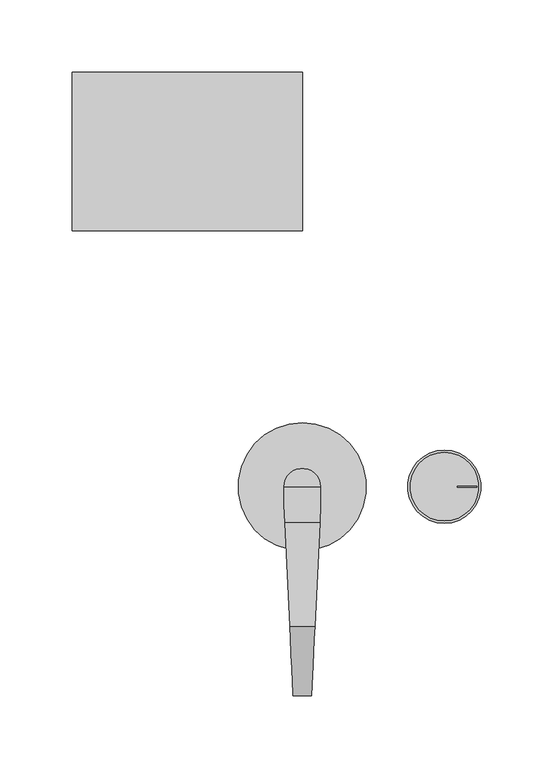
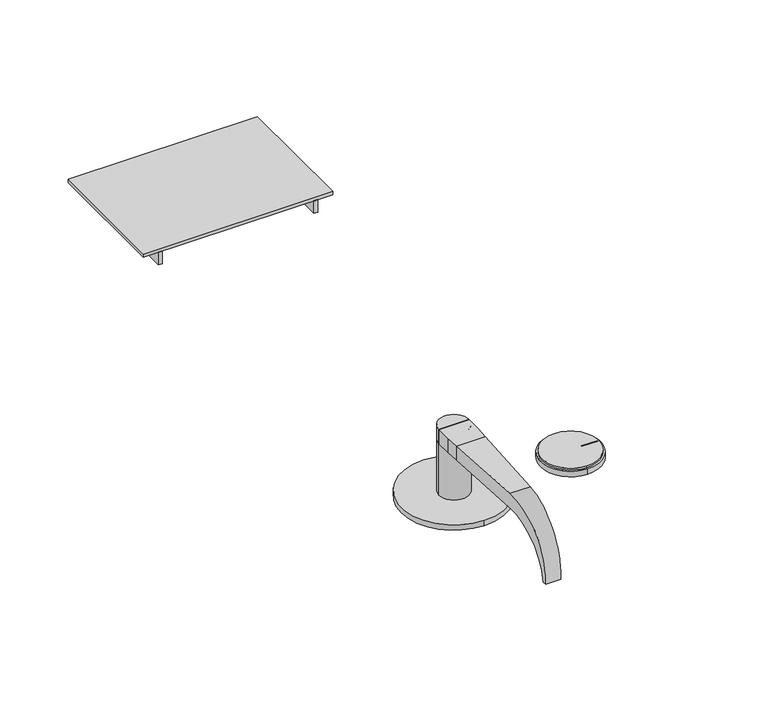
"""IFC4 building model written with IfcOpenShell, lengths in millimetres: proxy geometry."""

import ifcopenshell
import ifcopenshell.guid

model = None  # the IFC model being written
_history = None  # IfcOwnerHistory: only IFC2X3 demands one
_inside = {}  # id of a spatial element -> (the spatial element, [elements in it])
_under = {}  # id of a project, library or spatial element -> (it, [spatial elements below it])
_declared = {}  # id of a project -> (the project, [libraries it declares])
_typed = {}  # id of a type object -> (the type object, [elements of that type])
_made_of = {}  # id of a material, layer set ... -> (it, [elements and type objects made of it])


def new_model(schema):
    """Start an empty IFC model of exactly this schema.

    Asked for "IFC4X3", IfcOpenShell would pick the latest addendum, in which some entities
    have other attributes; the version numbers below select the first issue.
    IFC2X3 requires an IfcOwnerHistory on every rooted entity: one is made here for all.
    """
    global model, _history
    if schema == "IFC4X3":
        model = ifcopenshell.file(schema_version=(4, 3, 0, 0))
    else:
        model = ifcopenshell.file(schema=schema)
    _inside.clear()
    _under.clear()
    _declared.clear()
    _typed.clear()
    _made_of.clear()
    _history = None
    if model.schema == "IFC2X3":
        org = make("IfcOrganization", Name="unknown")
        user = make(
            "IfcPersonAndOrganization",
            ThePerson=make("IfcPerson", FamilyName="unknown"),
            TheOrganization=org,
        )
        app = make(
            "IfcApplication",
            ApplicationDeveloper=org,
            Version="unknown",
            ApplicationFullName="unknown",
            ApplicationIdentifier="unknown",
        )
        _history = make(
            "IfcOwnerHistory",
            OwningUser=user,
            OwningApplication=app,
            ChangeAction="ADDED",
            CreationDate=0,
        )
    return model


def make(cls, **values):
    """One entity of the class cls with the attributes given. An attribute that is None is left unset."""
    return model.create_entity(
        cls, **{name: value for name, value in values.items() if value is not None}
    )


def rooted(cls, **values):
    """An entity with a GlobalId (a new one), such as an element, a storey or a relation."""
    return make(cls, GlobalId=ifcopenshell.guid.new(), OwnerHistory=_history, **values)


def si_unit(unit_type, name, prefix=None):
    """IfcSIUnit, for example si_unit("LENGTHUNIT", "METRE", prefix="MILLI")."""
    return make("IfcSIUnit", UnitType=unit_type, Prefix=prefix, Name=name)


def assignment(units):
    """IfcUnitAssignment: the units of a project."""
    return None if units is None else make("IfcUnitAssignment", Units=units)


def point(xyz):
    """IfcCartesianPoint."""
    return None if xyz is None else make("IfcCartesianPoint", Coordinates=xyz)


def direction(xyz):
    """IfcDirection."""
    return None if xyz is None else make("IfcDirection", DirectionRatios=xyz)


def frame(location, z_axis=None, x_axis=None):
    """IfcAxis2Placement3D, a coordinate frame: its origin and axes. An axis left out is left unset."""
    return make(
        "IfcAxis2Placement3D",
        Location=point(location),
        Axis=direction(z_axis),
        RefDirection=direction(x_axis),
    )


def frame_2d(location, x_axis=None):
    """IfcAxis2Placement2D, a coordinate frame in the plane: its origin and x axis."""
    return make(
        "IfcAxis2Placement2D", Location=point(location), RefDirection=direction(x_axis)
    )


def origin():
    """The frame at (0, 0, 0) with its axes left unset."""
    return frame((0.0, 0.0, 0.0))


def place(relative_to, where):
    """IfcLocalPlacement: puts the frame where relative to a parent placement (None: the world)."""
    return make(
        "IfcLocalPlacement", PlacementRelTo=relative_to, RelativePlacement=where
    )


def context(
    kind, dimensions, precision=None, world=None, true_north=None, identifier=None
):
    """IfcGeometricRepresentationContext, for example the 3D "Model" context."""
    return make(
        "IfcGeometricRepresentationContext",
        ContextIdentifier=identifier,
        ContextType=kind,
        CoordinateSpaceDimension=dimensions,
        Precision=precision,
        WorldCoordinateSystem=world,
        TrueNorth=true_north,
    )


def project(units=None, contexts=None):
    """IfcProject with its units and contexts."""
    return rooted(
        "IfcProject",
        Name="project",
        RepresentationContexts=contexts,
        UnitsInContext=assignment(units),
    )


def spatial(cls, under=None, at=None, **own):
    """A site, building, storey or space (cls), placed at a placement, below another one or the project."""
    s = rooted(cls, ObjectPlacement=at, **own)
    if under is not None:
        _under.setdefault(under.id(), (under, []))[1].append(s)
    return s


def polyline(points):
    """IfcPolyline through the points."""
    return make("IfcPolyline", Points=[point(p) for p in points])


def circle_curve(where, radius):
    """IfcCircle in the frame where."""
    return make("IfcCircle", Position=where, Radius=radius)


def ellipse_curve(where, semi_axis1, semi_axis2):
    """IfcEllipse in the frame where."""
    return make(
        "IfcEllipse", Position=where, SemiAxis1=semi_axis1, SemiAxis2=semi_axis2
    )


def trimmed(basis, trim1, trim2, sense, master):
    """IfcTrimmedCurve: the piece of a basis curve between two trims."""
    return make(
        "IfcTrimmedCurve",
        BasisCurve=basis,
        Trim1=trim1,
        Trim2=trim2,
        SenseAgreement=sense,
        MasterRepresentation=master,
    )


def segment(curve, same_sense, transition):
    """IfcCompositeCurveSegment."""
    return make(
        "IfcCompositeCurveSegment",
        Transition=transition,
        SameSense=same_sense,
        ParentCurve=curve,
    )


def composite_curve(segments, self_intersect=None):
    """IfcCompositeCurve: segments joined end to end."""
    return make("IfcCompositeCurve", Segments=segments, SelfIntersect=self_intersect)


def outline(outer, holes=None, kind="AREA"):
    """IfcArbitraryClosedProfileDef: a profile drawn as a closed curve; with holes, ...WithVoids."""
    if holes is None:
        return make("IfcArbitraryClosedProfileDef", ProfileType=kind, OuterCurve=outer)
    return make(
        "IfcArbitraryProfileDefWithVoids",
        ProfileType=kind,
        OuterCurve=outer,
        InnerCurves=holes,
    )


def extrude(swept, where, along, depth):
    """IfcExtrudedAreaSolid: the profile swept, set in the frame where, extruded along a direction by depth."""
    return make(
        "IfcExtrudedAreaSolid",
        SweptArea=swept,
        Position=where,
        ExtrudedDirection=direction(along),
        Depth=depth,
    )


def shape(context_of_items, identifier, shape_type, items):
    """IfcShapeRepresentation: the items that make up one representation, for example the "Body"."""
    return make(
        "IfcShapeRepresentation",
        ContextOfItems=context_of_items,
        RepresentationIdentifier=identifier,
        RepresentationType=shape_type,
        Items=items,
    )


def source(mapping_origin, context_of_items, identifier, shape_type, items):
    """IfcRepresentationMap: a shape defined once, which mapped items show again and again."""
    return make(
        "IfcRepresentationMap",
        MappingOrigin=mapping_origin,
        MappedRepresentation=shape(context_of_items, identifier, shape_type, items),
    )


def transform(
    local_origin,
    x_axis=None,
    y_axis=None,
    z_axis=None,
    scale=None,
    scale2=None,
    scale3=None,
    uniform=True,
):
    """IfcCartesianTransformationOperator3D, or its non-uniform kind. x_axis, y_axis, z_axis: its Axis1, 2, 3."""
    if uniform:
        return make(
            "IfcCartesianTransformationOperator3D",
            Axis1=direction(x_axis),
            Axis2=direction(y_axis),
            LocalOrigin=point(local_origin),
            Scale=scale,
            Axis3=direction(z_axis),
        )
    return make(
        "IfcCartesianTransformationOperator3DnonUniform",
        Axis1=direction(x_axis),
        Axis2=direction(y_axis),
        LocalOrigin=point(local_origin),
        Scale=scale,
        Axis3=direction(z_axis),
        Scale2=scale2,
        Scale3=scale3,
    )


def mapped(mapping_source, mapping_target):
    """IfcMappedItem: shows the shape of a source again, moved by a transform."""
    return make(
        "IfcMappedItem", MappingSource=mapping_source, MappingTarget=mapping_target
    )


def made_of(thing, what):
    """Note that an element or type object is made of a material, layer set ...; save() writes the relation."""
    if what is not None:
        _made_of.setdefault(what.id(), (what, []))[1].append(thing)
    return thing


def element(
    cls,
    number,
    at=None,
    inside=None,
    cuts=None,
    type_object=None,
    material=None,
    context=None,
    identifier="Body",
    shape_type=None,
    held_by="IfcProductDefinitionShape",
    body=None,
    shapes=None,
    **own,
):
    """One element of the class cls, such as IfcWall. Its Tag is "e" and its number.

    at: its placement. inside: the storey or other place that contains it. cuts: it is an
    opening in that element (IfcRelVoidsElement). A single representation is given by context,
    identifier, shape_type and body (its items); several are given by shapes. held_by: the class
    of the entity that holds the representations. save() writes the other relations.
    """
    e = rooted(cls, Tag="e%d" % number, ObjectPlacement=at, **own)
    if body is not None:
        shapes = [shape(context, identifier, shape_type, body)]
    if shapes is not None:
        e.Representation = make(held_by, Representations=shapes)
    if inside is not None:
        _inside.setdefault(inside.id(), (inside, []))[1].append(e)
    if cuts is not None:
        rooted(
            "IfcRelVoidsElement", RelatingBuildingElement=cuts, RelatedOpeningElement=e
        )
    if type_object is not None:
        _typed.setdefault(type_object.id(), (type_object, []))[1].append(e)
    return made_of(e, material)


def aggregate(whole, parts):
    """IfcRelAggregates: a whole, such as a stair, and the parts it consists of."""
    return rooted("IfcRelAggregates", RelatingObject=whole, RelatedObjects=parts)


def save(model, path):
    """Write the relations noted so far, then the file.

    IfcRelAggregates (storeys below a building ...), IfcRelContainedInSpatialStructure (elements
    in a storey), IfcRelDefinesByType, IfcRelAssociatesMaterial and IfcRelDeclares: one each for
    every whole, place, type object, material and project.
    """
    for whole, parts in _under.values():
        aggregate(whole, parts)
    for where, things in _inside.values():
        rooted(
            "IfcRelContainedInSpatialStructure",
            RelatedElements=things,
            RelatingStructure=where,
        )
    for kind, things in _typed.values():
        rooted("IfcRelDefinesByType", RelatedObjects=things, RelatingType=kind)
    for what, things in _made_of.values():
        rooted("IfcRelAssociatesMaterial", RelatedObjects=things, RelatingMaterial=what)
    for by, libraries in _declared.values():
        rooted("IfcRelDeclares", RelatingContext=by, RelatedDefinitions=libraries)
    model.write(path)


def plane_surface(at):
    """IfcPlane: the flat surface through the origin of the frame at, square to its z axis."""
    return make("IfcPlane", Position=at)


def cylinder_surface(at, radius):
    """IfcCylindricalSurface: all points at the distance radius from the z axis of the frame at."""
    return make("IfcCylindricalSurface", Position=at, Radius=radius)


def revolved_surface(curve, axis_point, axis_direction):
    """IfcSurfaceOfRevolution: the curve turned about the line through axis_point along axis_direction."""
    return make(
        "IfcSurfaceOfRevolution",
        SweptCurve=make("IfcArbitraryOpenProfileDef", ProfileType="CURVE", Curve=curve),
        AxisPosition=make("IfcAxis1Placement", Location=point(axis_point), Axis=direction(axis_direction)),
    )


def advanced_brep(points, edges, surfaces, faces):
    """IfcAdvancedBrep: a solid bounded by faces that lie on surfaces and meet in shared edges.

    An edge is (start, end): straight between two places in points (the first is 0);
    or (start, end, curve); or (start, end, curve, False) where it runs against its curve.
    A face is (place in surfaces, loops), or (place, loops, False) where it looks against
    its surface's normal. A loop lists edges by number (the first is 1), with a minus sign
    where the edge is run from its end to its start. The first loop is the outer one.
    """
    corners = [point(p) for p in points]
    vertices = [make("IfcVertexPoint", VertexGeometry=c) for c in corners]
    made = []
    for start, end, *more in edges:
        made.append(
            make(
                "IfcEdgeCurve",
                EdgeStart=vertices[start],
                EdgeEnd=vertices[end],
                EdgeGeometry=more[0] if more else make("IfcPolyline", Points=[corners[start], corners[end]]),
                SameSense=more[1] if len(more) > 1 else True,
            )
        )
    hull = []
    for where, loops, *sense in faces:
        bounds = []
        for j, loop in enumerate(loops):
            ring = [make("IfcOrientedEdge", EdgeElement=made[abs(k) - 1], Orientation=k > 0) for k in loop]
            bounds.append(
                make(
                    "IfcFaceOuterBound" if j == 0 else "IfcFaceBound",
                    Bound=make("IfcEdgeLoop", EdgeList=ring),
                    Orientation=True,
                )
            )
        hull.append(make("IfcAdvancedFace", Bounds=bounds, FaceSurface=surfaces[where], SameSense=sense[0] if sense else True))
    return make("IfcAdvancedBrep", Outer=make("IfcClosedShell", CfsFaces=hull))


def security_devices_76891e89(model_context):
    return source(origin(), model_context, "Body", "SolidModel", [
        extrude(outline(composite_curve([segment(trimmed(circle_curve(frame_2d((98.7242531, 0.0370928)), 23.8125), [point((98.7242531, -23.7754072))], [point((98.7242531, 23.8495928))], False, "CARTESIAN"), True, "CONTINUOUS"), segment(trimmed(circle_curve(frame_2d((98.7242531, 0.0370928)), 23.8125), [point((98.7242531, 23.8495928))], [point((98.7242531, -23.7754072))], False, "CARTESIAN"), True, "CONTINUOUS")], self_intersect=False), holes=[polyline([(107.7784187, 0.4123509), (107.7784187, -0.3813991), (121.2926244, -0.3813991), (121.2926244, 0.4123509), (107.7784187, 0.4123509)])]), frame((0.0, 0.0, 4.7625058), z_axis=(0.0, 0.0, 1.0), x_axis=(1.0, 0.0, 0.0)), (0.0, 0.0, 1.0), 1.5875),
        advanced_brep(
        [(98.6449934, -25.3844496, 4.7625058), (98.6449934, 25.4155504, 4.7625058), (107.7784187, -0.3813991, 4.7625058), (107.7784187, 0.4123509, 4.7625058), (121.2926244, 0.4123509, 4.7625058), (121.2926244, -0.3813991, 4.7625058), (98.6449934, -25.3844496, 5.8e-06), (98.6449934, 25.4155504, 5.8e-06), (107.7784187, 0.4123509, 2.0602082), (107.7784187, -0.3813991, 2.0602082), (121.2926244, -0.3813991, 2.0602082), (121.2926244, 0.4123509, 2.0602082)],
        [
            (0, 1, circle_curve(frame((98.6449934, 0.0155504, 4.7625058), z_axis=(0.0, 0.0, 1.0), x_axis=(0.0, 1.0, 0.0)), 25.4)),
            (1, 0, circle_curve(frame((98.6449934, 0.0155504, 4.7625058), z_axis=(0.0, 0.0, 1.0), x_axis=(0.0, 1.0, 0.0)), 25.4)),
            (2, 3),
            (3, 4),
            (4, 5),
            (5, 2),
            (6, 7, circle_curve(frame((98.6449934, 0.0155504, 5.8e-06), z_axis=(0.0, 0.0, -1.0), x_axis=(0.0, 1.0, 0.0)), 25.4)),
            (7, 6, circle_curve(frame((98.6449934, 0.0155504, 5.8e-06), z_axis=(0.0, 0.0, -1.0), x_axis=(0.0, 1.0, 0.0)), 25.4)),
            (0, 6),
            (7, 1),
            (8, 9),
            (9, 10),
            (10, 11),
            (11, 8),
            (8, 3),
            (2, 9),
            (5, 10),
            (4, 11),
        ],
        [
            plane_surface(frame((98.6449934, 25.4155504, 4.7625058), z_axis=(0.0, 0.0, 1.0), x_axis=(-1.0, 0.0, 0.0))),
            plane_surface(frame((98.6449934, 25.4155504, 5.8e-06), z_axis=(0.0, 0.0, -1.0), x_axis=(1.0, 0.0, 0.0))),
            cylinder_surface(frame((98.6449934, 0.0155504, 5.8e-06), z_axis=(0.0, 0.0, 1.0), x_axis=(0.0, 1.0, 0.0)), 25.4),
            plane_surface(frame((107.7784187, -0.3300226, 2.0602082), z_axis=(0.0, 0.0, 1.0), x_axis=(0.0, 1.0, 0.0))),
            plane_surface(frame((107.7784187, 0.4123509, 8.0680635), z_axis=(1.0, 0.0, 0.0), x_axis=(0.0, 0.0, -1.0))),
            plane_surface(frame((107.7784187, -0.3813991, 8.0680635), z_axis=(0.0, 1.0, 0.0), x_axis=(0.0, 0.0, -1.0))),
            plane_surface(frame((121.2926244, -0.3813991, 8.0680635), z_axis=(-1.0, 0.0, 0.0), x_axis=(0.0, 0.0, -1.0))),
            plane_surface(frame((121.2926244, 0.4123509, 8.0680635), z_axis=(0.0, -1.0, 0.0), x_axis=(0.0, 0.0, -1.0))),
        ],
        [
            (0, [[1, 2], [3, 4, 5, 6]]),
            (1, [[7, 8]]),
            (2, [[-1, 9, -8, 10]]),
            (2, [[-2, -10, -7, -9]]),
            (3, [[11, 12, 13, 14]]),
            (4, [[-11, 15, -3, 16]]),
            (5, [[-12, -16, -6, 17]]),
            (6, [[-13, -17, -5, 18]]),
            (7, [[-14, -18, -4, -15]]),
        ],
    ),
        extrude(outline(composite_curve([segment(polyline([(12.6999978, 0.006278), (-12.7000022, 0.006278)]), True, "CONTINUOUS"), segment(trimmed(circle_curve(frame_2d((-2.2e-06, 0.006278)), 12.7), [point((-12.7000022, 0.006278))], [point((12.6999978, 0.006278))], False, "CARTESIAN"), True, "CONTINUOUS")], self_intersect=False)), frame((0.0, 0.0, 50.7997), z_axis=(0.0, 0.0, 1.0), x_axis=(1.0, 0.0, 0.0)), (0.0, 0.0, 1.0), 12.7),
        extrude(outline(composite_curve([segment(polyline([(12.6999978, -0.006278), (-12.7000022, -0.006278)]), True, "CONTINUOUS"), segment(trimmed(circle_curve(frame_2d((-2.2e-06, -0.006278)), 12.7), [point((-12.7000022, -0.006278))], [point((12.6999978, -0.006278))], False, "CARTESIAN"), True, "CONTINUOUS")], self_intersect=False)), frame((0.0, 0.0, 50.7997), z_axis=(0.0, 0.0, 1.0), x_axis=(1.0, 0.0, 0.0)), (0.0, 0.0, 1.0), 12.7),
        advanced_brep(
        [(-12.1087495, -25.0324224, 50.7997), (12.1087451, -25.0324224, 50.7997), (8.6682503, -96.831222, 50.7997), (-8.6682548, -96.831222, 50.7997), (-12.1087495, -25.0324224, 63.4997), (12.1087451, -25.0324224, 63.4997), (-8.6682548, -96.831222, 63.4997), (8.6682503, -96.831222, 63.4997), (-6.3500022, -145.210237, 19.1808168), (-6.3500022, -145.210237, 10.688597), (6.3499978, -145.210237, 10.688597), (6.3499978, -145.210237, 19.1808168), (-6.5035986, -142.0048745, 10.688597), (6.5035941, -142.0048745, 10.688597)],
        [
            (0, 1),
            (1, 2),
            (2, 3),
            (3, 0),
            (0, 4),
            (4, 5),
            (5, 1),
            (4, 6),
            (6, 7),
            (7, 5),
            (6, 8, ellipse_curve(frame((-8.6682548, -96.831222, 14.9347069), z_axis=(0.9988538794169153, 0.04786363519184983, 0.0), x_axis=(-0.047863635191850086, 0.9988538794169152, 0.0)), 48.6207182, 48.564993)),
            (8, 9, circle_curve(frame((-6.3500022, -96.831222, 14.9347069), z_axis=(1.0, 0.0, 0.0), x_axis=(0.0, -1.0, 0.0)), 48.564993)),
            (9, 10),
            (10, 11, circle_curve(frame((6.3499978, -96.831222, 14.9347069), z_axis=(-1.0, 0.0, 0.0), x_axis=(0.0, -1.0, 0.0)), 48.564993)),
            (11, 7, ellipse_curve(frame((8.6682503, -96.831222, 14.9347069), z_axis=(-0.9988538794169145, 0.04786363519186661, 0.0), x_axis=(-0.04786363519186451, -0.9988538794169145, 0.0)), 48.6207182, 48.564993)),
            (9, 12),
            (12, 13),
            (13, 10),
            (12, 3, ellipse_curve(frame((-8.6682548, -96.831222, 5.3065672), z_axis=(-0.9988538794169153, -0.04786363519184983, 0.0), x_axis=(0.047863635191850086, -0.9988538794169152, 0.0)), 45.5453332, 45.4931328)),
            (2, 13, ellipse_curve(frame((8.6682503, -96.831222, 5.3065672), z_axis=(0.9988538794169145, -0.04786363519186661, 0.0), x_axis=(0.04786363519186451, 0.9988538794169145, 0.0)), 45.5453332, 45.4931328)),
            (11, 10),
            (8, 9),
        ],
        [
            plane_surface(frame((-12.7000022, -25.0324224, 50.7997), z_axis=(0.0, 0.0, -1.0), x_axis=(1.0, 0.0, 0.0))),
            plane_surface(frame((-12.7000022, -25.0324224, 63.4997), z_axis=(0.0, 1.0, 0.0), x_axis=(1.0, 0.0, 0.0))),
            plane_surface(frame((-12.7000022, -96.831222, 63.4997), z_axis=(0.0, 0.0, 1.0), x_axis=(1.0, 0.0, 0.0))),
            cylinder_surface(frame((12.6999978, -96.831222, 14.9347069), z_axis=(-1.0, 0.0, 0.0), x_axis=(0.0, -1.0, 0.0)), 48.564993),
            plane_surface(frame((-12.7000022, -142.0048745, 10.688597), z_axis=(0.0, 0.0, -1.0), x_axis=(1.0, 0.0, 0.0))),
            revolved_surface(polyline([(10.848215512976715, -142.32435479999998, 5.3065672), (-10.848220012976055, -142.32435479999998, 5.3065672)]), (12.6999978, -96.831222, 5.3065672), (1.0, 0.0, 0.0)),
            plane_surface(frame((13.3082626, 0.0, 66.7497141), z_axis=(0.9988538794169145, -0.04786363519186661, 0.0), x_axis=(0.0, 0.0, -1.0))),
            plane_surface(frame((6.3499978, -145.210237, 66.7497141), z_axis=(1.0, 0.0, 0.0), x_axis=(0.0, 0.0, -1.0))),
            plane_surface(frame((-6.3500022, -148.3951356, 66.7497141), z_axis=(-1.0, 0.0, 0.0), x_axis=(0.0, 0.0, -1.0))),
            plane_surface(frame((-6.3500022, -145.210237, 66.7497141), z_axis=(-0.9988538794169153, -0.04786363519184983, 0.0), x_axis=(0.0, 0.0, -1.0))),
        ],
        [
            (0, [[1, 2, 3, 4]]),
            (1, [[-1, 5, 6, 7]]),
            (2, [[-6, 8, 9, 10]]),
            (3, [[-9, 11, 12, 13, 14, 15]]),
            (4, [[-13, 16, 17, 18]]),
            (5, [[-17, 19, -3, 20]]),
            (6, [[21, -18, -20, -2, -7, -10, -15]]),
            (7, [[-21, -14]]),
            (8, [[22, -12]]),
            (9, [[-22, -11, -8, -5, -4, -19, -16]]),
        ],
    ),
        extrude(outline(polyline([(-12.7000022, 0.006278), (12.6999978, 0.006278), (12.6999978, -12.693722), (12.1087451, -25.0324224), (-12.1087495, -25.0324224), (-12.7000022, -12.693722), (-12.7000022, 0.006278)])), frame((0.0, 0.0, 50.7997), z_axis=(0.0, 0.0, 1.0), x_axis=(1.0, 0.0, 0.0)), (0.0, 0.0, 1.0), 12.7),
        extrude(outline(polyline([(-12.7001101, 287.8), (-12.7001101, 177.8), (-15.8751101, 177.8), (-15.8751101, 287.8), (-12.7001101, 287.8)])), frame((0.0, 0.0, 150.0), z_axis=(0.0, 0.0, 1.0), x_axis=(1.0, 0.0, 0.0)), (0.0, 0.0, 1.0), 11.0132812),
        extrude(outline(polyline([(-147.3001101, 287.8), (-144.1251101, 287.8), (-144.1251101, 177.8), (-147.3001101, 177.8), (-147.3001101, 287.8)])), frame((0.0, 0.0, 150.0), z_axis=(0.0, 0.0, 1.0), x_axis=(1.0, 0.0, 0.0)), (0.0, 0.0, 1.0), 11.0132812),
        extrude(outline(polyline([(-160.0001101, 287.8), (-0.0001101, 287.8), (-0.0001101, 177.8), (-160.0001101, 177.8), (-160.0001101, 287.8)])), frame((0.0, 0.0, 161.0132812), z_axis=(0.0, 0.0, 1.0), x_axis=(1.0, 0.0, 0.0)), (0.0, 0.0, 1.0), 2.9897716),
        extrude(outline(composite_curve([segment(trimmed(circle_curve(frame_2d((-2.2e-06, 0.006278)), 12.7), [point((12.6999978, 0.006278))], [point((-12.7000022, 0.006278))], False, "CARTESIAN"), True, "CONTINUOUS"), segment(polyline([(-12.7000022, 0.006278), (12.6999978, 0.006278)]), True, "CONTINUOUS")], self_intersect=False)), frame((0.0, 0.0, 4.7622), z_axis=(0.0, 0.0, 1.0), x_axis=(1.0, 0.0, 0.0)), (0.0, 0.0, 1.0), 46.0375),
        extrude(outline(composite_curve([segment(polyline([(12.6999978, 0.006278), (-12.7000022, 0.006278)]), True, "CONTINUOUS"), segment(trimmed(circle_curve(frame_2d((-2.2e-06, 0.006278)), 12.7), [point((-12.7000022, 0.006278))], [point((12.6999978, 0.006278))], False, "CARTESIAN"), True, "CONTINUOUS")], self_intersect=False)), frame((0.0, 0.0, 4.7622), z_axis=(0.0, 0.0, 1.0), x_axis=(1.0, 0.0, 0.0)), (0.0, 0.0, 1.0), 46.0375),
        extrude(outline(composite_curve([segment(trimmed(circle_curve(frame_2d((-0.0080171, -0.0052377)), 44.45), [point((-0.0080171, -44.4552377))], [point((-0.0080171, 44.4447623))], False, "CARTESIAN"), True, "CONTINUOUS"), segment(trimmed(circle_curve(frame_2d((-0.0080171, -0.0052377)), 44.45), [point((-0.0080171, 44.4447623))], [point((-0.0080171, -44.4552377))], False, "CARTESIAN"), True, "CONTINUOUS")], self_intersect=False)), frame((0.0, 0.0, -0.0003), z_axis=(0.0, 0.0, 1.0), x_axis=(1.0, 0.0, 0.0)), (0.0, 0.0, 1.0), 4.7625),
        extrude(outline(composite_curve([segment(trimmed(circle_curve(frame_2d((-2.2e-06, -0.006278)), 12.7), [point((12.6999978, -0.006278))], [point((-12.7000022, -0.006278))], False, "CARTESIAN"), True, "CONTINUOUS"), segment(polyline([(-12.7000022, -0.006278), (12.6999978, -0.006278)]), True, "CONTINUOUS")], self_intersect=False)), frame((0.0, 0.0, 50.7997), z_axis=(0.0, 0.0, 1.0), x_axis=(1.0, 0.0, 0.0)), (0.0, 0.0, 1.0), 12.7),
        extrude(outline(composite_curve([segment(polyline([(12.6999978, -0.006278), (-12.7000022, -0.006278)]), True, "CONTINUOUS"), segment(trimmed(circle_curve(frame_2d((-2.2e-06, -0.006278)), 12.7), [point((-12.7000022, -0.006278))], [point((12.6999978, -0.006278))], False, "CARTESIAN"), True, "CONTINUOUS")], self_intersect=False)), frame((0.0, 0.0, 4.7622), z_axis=(0.0, 0.0, 1.0), x_axis=(1.0, 0.0, 0.0)), (0.0, 0.0, 1.0), 46.0375),
        extrude(outline(composite_curve([segment(trimmed(circle_curve(frame_2d((-2.2e-06, -0.006278)), 12.7), [point((12.6999978, -0.006278))], [point((-12.7000022, -0.006278))], False, "CARTESIAN"), True, "CONTINUOUS"), segment(polyline([(-12.7000022, -0.006278), (12.6999978, -0.006278)]), True, "CONTINUOUS")], self_intersect=False)), frame((0.0, 0.0, 4.7622), z_axis=(0.0, 0.0, 1.0), x_axis=(1.0, 0.0, 0.0)), (0.0, 0.0, 1.0), 46.0375),
    ])


if __name__ == "__main__":
    model = new_model("IFC4")
    model_context = context("Model", 3, world=origin())
    ifc_project = project(units=[si_unit("LENGTHUNIT", "METRE", prefix="MILLI")], contexts=[model_context])
    site = spatial("IfcSite", under=ifc_project)
    building = spatial("IfcBuilding", under=site)
    placement = place(None, origin())
    security_devices_shape = security_devices_76891e89(model_context)
    element("IfcBuildingElementProxy", 1, Name="Security Devices", at=placement, inside=building, context=model_context, shape_type="MappedRepresentation", body=[
        mapped(security_devices_shape, transform((0.0, 0.0, 0.0), x_axis=(1.0, 0.0, 0.0), y_axis=(0.0, 1.0, 0.0), z_axis=(0.0, 0.0, 1.0))),
    ])
    save(model, "model.ifc")
